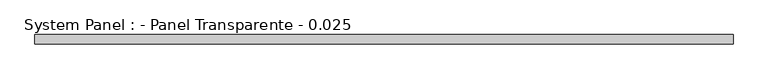
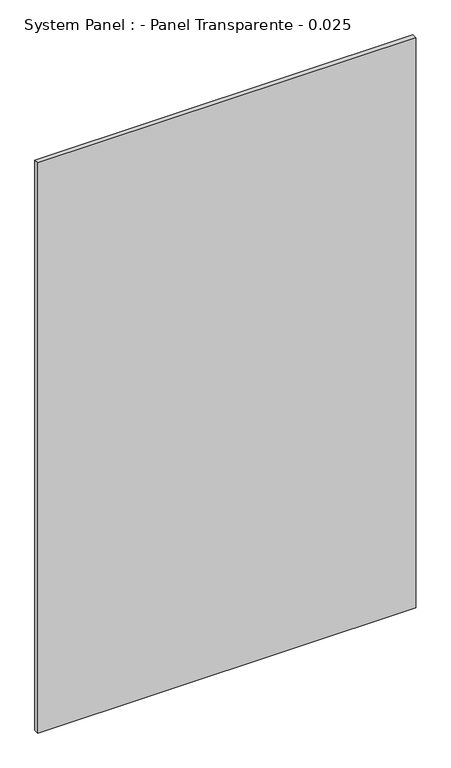
"""IFC4 building model written with IfcOpenShell, lengths in millimetres: plate geometry, System Panel : - Panel Transparente - 0.025."""

from ifc_helpers import new_model, si_unit, origin, origin_with_axes, place, context, project, spatial, polyline, outline, extrude, source, transform, mapped, element, save


def system_panel_panel_transparente_0_025_1f1f794a(model_context):
    return source(origin(), model_context, "Body", "SweptSolid", [
        extrude(outline(polyline([(950.0000001, -37.5), (-950.0000001, -37.5), (-950.0000001, -12.5), (950.0000001, -12.5), (950.0000001, -37.5)])), origin_with_axes(), (0.0, 0.0, 1.0), 3030.0),
    ])


if __name__ == "__main__":
    model = new_model("IFC4")
    model_context = context("Model", 3, world=origin())
    ifc_project = project(units=[si_unit("LENGTHUNIT", "METRE", prefix="MILLI")], contexts=[model_context])
    site = spatial("IfcSite", under=ifc_project)
    building = spatial("IfcBuilding", under=site)
    placement = place(None, origin())
    system_panel_panel_transparente_0_025_shape = system_panel_panel_transparente_0_025_1f1f794a(model_context)
    element("IfcPlate", 1, ObjectType="System Panel : - Panel Transparente - 0.025", at=placement, inside=building, context=model_context, shape_type="MappedRepresentation", body=[
        mapped(system_panel_panel_transparente_0_025_shape, transform((0.0, 0.0, 0.0), x_axis=(1.0, 0.0, 0.0), y_axis=(0.0, 1.0, 0.0), z_axis=(0.0, 0.0, 1.0))),
    ])
    save(model, "model.ifc")
